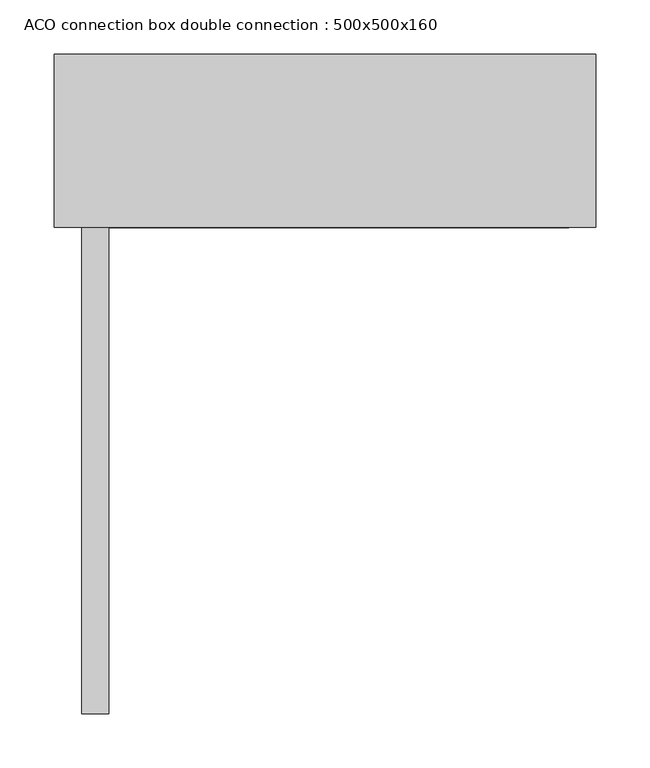
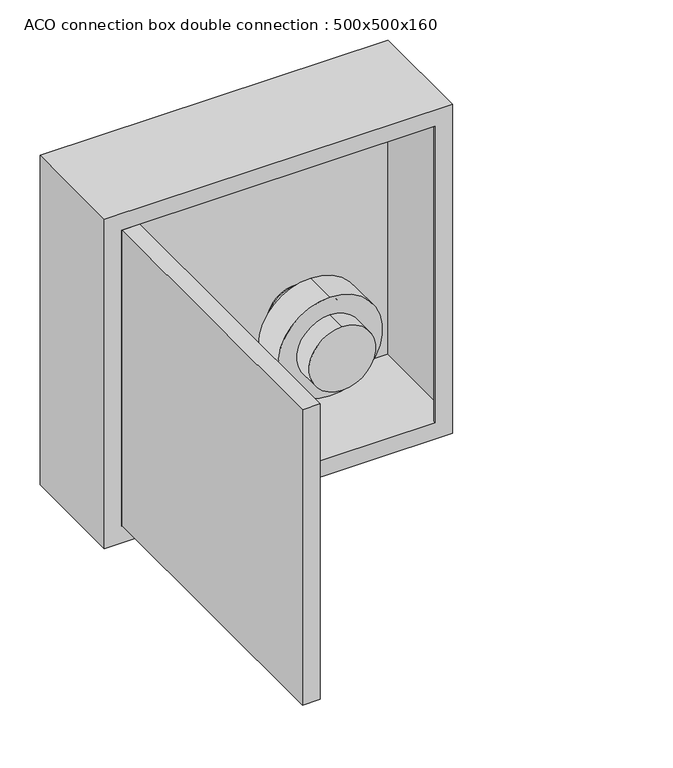
"""IFC4 building model written with IfcOpenShell, lengths in millimetres: furniture geometry, ACO connection box double connection : 500x500x160."""

from ifc_helpers import new_model, si_unit, point, frame, frame_2d, origin, place, context, project, spatial, polyline, circle_curve, trimmed, segment, composite_curve, outline, extrude, source, transform, mapped, element, save
from ifc_brep_helpers import plane_surface, cylinder_surface, revolved_surface, advanced_brep


def aco_connection_box_double_connection_500x500x160_cb3627f5(model_context):
    return source(origin(), model_context, "Body", "SolidModel", [
        extrude(outline(composite_curve([segment(trimmed(circle_curve(frame_2d((136.5, 115.0)), 25.0), [point((111.5, 115.0))], [point((161.5, 115.0))], False, "CARTESIAN"), True, "CONTINUOUS"), segment(trimmed(circle_curve(frame_2d((136.5, 115.0)), 25.0), [point((161.5, 115.0))], [point((111.5, 115.0))], False, "CARTESIAN"), True, "CONTINUOUS")], self_intersect=False)), frame((0.0, 148.0, 0.0), z_axis=(0.0, 1.0, 0.0), x_axis=(0.0, 0.0, 1.0)), (0.0, 0.0, 1.0), 12.0),
        advanced_brep(
        [(115.0, 148.0, 88.5), (115.0, 148.0, 184.5), (115.0, 40.0, 88.5), (115.0, 40.0, 184.5), (115.0, 118.0, 184.5), (115.0, 118.0, 88.5), (115.0, 70.0, 88.5), (115.0, 70.0, 184.5), (115.0, 118.0, 61.5), (115.0, 118.0, 211.5), (115.0, 70.0, 61.5), (115.0, 70.0, 211.5)],
        [
            (0, 1, circle_curve(frame((115.0, 148.0, 136.5), z_axis=(0.0, 1.0, 0.0), x_axis=(0.0, 0.0, 1.0)), 48.0)),
            (1, 0, circle_curve(frame((115.0, 148.0, 136.5), z_axis=(0.0, 1.0, 0.0), x_axis=(0.0, 0.0, 1.0)), 48.0)),
            (2, 3, circle_curve(frame((115.0, 40.0, 136.5), z_axis=(0.0, -1.0, 0.0), x_axis=(0.0, 0.0, 1.0)), 48.0)),
            (3, 2, circle_curve(frame((115.0, 40.0, 136.5), z_axis=(0.0, -1.0, 0.0), x_axis=(0.0, 0.0, 1.0)), 48.0)),
            (1, 4),
            (4, 5, circle_curve(frame((115.0, 118.0, 136.5), z_axis=(0.0, 1.0, 0.0), x_axis=(0.0, 0.0, 1.0)), 48.0)),
            (5, 0),
            (2, 6),
            (6, 7, circle_curve(frame((115.0, 70.0, 136.5), z_axis=(0.0, -1.0, 0.0), x_axis=(0.0, 0.0, 1.0)), 48.0)),
            (7, 3),
            (5, 4, circle_curve(frame((115.0, 118.0, 136.5), z_axis=(0.0, 1.0, 0.0), x_axis=(0.0, 0.0, 1.0)), 48.0)),
            (7, 6, circle_curve(frame((115.0, 70.0, 136.5), z_axis=(0.0, -1.0, 0.0), x_axis=(0.0, 0.0, 1.0)), 48.0)),
            (8, 9, circle_curve(frame((115.0, 118.0, 136.5), z_axis=(0.0, 1.0, 0.0), x_axis=(0.0, 0.0, 1.0)), 75.0)),
            (9, 8, circle_curve(frame((115.0, 118.0, 136.5), z_axis=(0.0, 1.0, 0.0), x_axis=(0.0, 0.0, 1.0)), 75.0)),
            (10, 11, circle_curve(frame((115.0, 70.0, 136.5), z_axis=(0.0, -1.0, 0.0), x_axis=(0.0, 0.0, 1.0)), 75.0)),
            (11, 10, circle_curve(frame((115.0, 70.0, 136.5), z_axis=(0.0, -1.0, 0.0), x_axis=(0.0, 0.0, 1.0)), 75.0)),
            (9, 11),
            (10, 8),
        ],
        [
            plane_surface(frame((115.0, 148.0, 184.5), z_axis=(0.0, 1.0, 0.0), x_axis=(1.0, 0.0, 0.0))),
            plane_surface(frame((115.0, 40.0, 184.5), z_axis=(0.0, -1.0, 0.0), x_axis=(-1.0, 0.0, 0.0))),
            cylinder_surface(frame((115.0, 148.0, 136.5), z_axis=(0.0, -1.0, 0.0), x_axis=(0.0, 0.0, 1.0)), 48.0),
            plane_surface(frame((115.0, 118.0, 211.5), z_axis=(0.0, 1.0, 0.0), x_axis=(1.0, 0.0, 0.0))),
            plane_surface(frame((115.0, 70.0, 211.5), z_axis=(0.0, -1.0, 0.0), x_axis=(-1.0, 0.0, 0.0))),
            cylinder_surface(frame((115.0, 118.0, 136.5), z_axis=(0.0, -1.0, 0.0), x_axis=(0.0, 0.0, 1.0)), 75.0),
        ],
        [
            (0, [[1, 2]]),
            (1, [[3, 4]]),
            (2, [[-2, 5, 6, 7]]),
            (2, [[-3, 8, 9, 10]]),
            (2, [[-1, -7, 11, -5]]),
            (2, [[-4, -10, 12, -8]]),
            (3, [[13, 14], [-6, -11]]),
            (4, [[15, 16], [-9, -12]]),
            (5, [[-14, 17, -15, 18]]),
            (5, [[-13, -18, -16, -17]]),
        ],
    ),
        extrude(outline(composite_curve([segment(trimmed(circle_curve(frame_2d((136.5, -115.0)), 25.0), [point((111.5, -115.0))], [point((161.5, -115.0))], False, "CARTESIAN"), True, "CONTINUOUS"), segment(trimmed(circle_curve(frame_2d((136.5, -115.0)), 25.0), [point((161.5, -115.0))], [point((111.5, -115.0))], False, "CARTESIAN"), True, "CONTINUOUS")], self_intersect=False)), frame((0.0, 148.0, 0.0), z_axis=(0.0, 1.0, 0.0), x_axis=(0.0, 0.0, 1.0)), (0.0, 0.0, 1.0), 12.0),
        advanced_brep(
        [(-115.0, 148.0, 88.5), (-115.0, 148.0, 184.5), (-115.0, 40.0, 88.5), (-115.0, 40.0, 184.5), (-115.0, 118.0, 184.5), (-115.0, 118.0, 88.5), (-115.0, 70.0, 88.5), (-115.0, 70.0, 184.5), (-115.0, 118.0, 61.5), (-115.0, 118.0, 211.5), (-115.0, 70.0, 61.5), (-115.0, 70.0, 211.5)],
        [
            (0, 1, circle_curve(frame((-115.0, 148.0, 136.5), z_axis=(0.0, 1.0, 0.0), x_axis=(0.0, 0.0, 1.0)), 48.0)),
            (1, 0, circle_curve(frame((-115.0, 148.0, 136.5), z_axis=(0.0, 1.0, 0.0), x_axis=(0.0, 0.0, 1.0)), 48.0)),
            (2, 3, circle_curve(frame((-115.0, 40.0, 136.5), z_axis=(0.0, -1.0, 0.0), x_axis=(0.0, 0.0, 1.0)), 48.0)),
            (3, 2, circle_curve(frame((-115.0, 40.0, 136.5), z_axis=(0.0, -1.0, 0.0), x_axis=(0.0, 0.0, 1.0)), 48.0)),
            (1, 4),
            (4, 5, circle_curve(frame((-115.0, 118.0, 136.5), z_axis=(0.0, 1.0, 0.0), x_axis=(0.0, 0.0, 1.0)), 48.0)),
            (5, 0),
            (2, 6),
            (6, 7, circle_curve(frame((-115.0, 70.0, 136.5), z_axis=(0.0, -1.0, 0.0), x_axis=(0.0, 0.0, 1.0)), 48.0)),
            (7, 3),
            (5, 4, circle_curve(frame((-115.0, 118.0, 136.5), z_axis=(0.0, 1.0, 0.0), x_axis=(0.0, 0.0, 1.0)), 48.0)),
            (7, 6, circle_curve(frame((-115.0, 70.0, 136.5), z_axis=(0.0, -1.0, 0.0), x_axis=(0.0, 0.0, 1.0)), 48.0)),
            (8, 9, circle_curve(frame((-115.0, 118.0, 136.5), z_axis=(0.0, 1.0, 0.0), x_axis=(0.0, 0.0, 1.0)), 75.0)),
            (9, 8, circle_curve(frame((-115.0, 118.0, 136.5), z_axis=(0.0, 1.0, 0.0), x_axis=(0.0, 0.0, 1.0)), 75.0)),
            (10, 11, circle_curve(frame((-115.0, 70.0, 136.5), z_axis=(0.0, -1.0, 0.0), x_axis=(0.0, 0.0, 1.0)), 75.0)),
            (11, 10, circle_curve(frame((-115.0, 70.0, 136.5), z_axis=(0.0, -1.0, 0.0), x_axis=(0.0, 0.0, 1.0)), 75.0)),
            (9, 11),
            (10, 8),
        ],
        [
            plane_surface(frame((-115.0, 148.0, 184.5), z_axis=(0.0, 1.0, 0.0), x_axis=(1.0, 0.0, 0.0))),
            plane_surface(frame((-115.0, 40.0, 184.5), z_axis=(0.0, -1.0, 0.0), x_axis=(-1.0, 0.0, 0.0))),
            cylinder_surface(frame((-115.0, 148.0, 136.5), z_axis=(0.0, -1.0, 0.0), x_axis=(0.0, 0.0, 1.0)), 48.0),
            plane_surface(frame((-115.0, 118.0, 211.5), z_axis=(0.0, 1.0, 0.0), x_axis=(1.0, 0.0, 0.0))),
            plane_surface(frame((-115.0, 70.0, 211.5), z_axis=(0.0, -1.0, 0.0), x_axis=(-1.0, 0.0, 0.0))),
            cylinder_surface(frame((-115.0, 118.0, 136.5), z_axis=(0.0, -1.0, 0.0), x_axis=(0.0, 0.0, 1.0)), 75.0),
        ],
        [
            (0, [[1, 2]]),
            (1, [[3, 4]]),
            (2, [[-2, 5, 6, 7]]),
            (2, [[-3, 8, 9, 10]]),
            (2, [[-1, -7, 11, -5]]),
            (2, [[-4, -10, 12, -8]]),
            (3, [[13, 14], [-6, -11]]),
            (4, [[15, 16], [-9, -12]]),
            (5, [[-14, 17, -15, 18]]),
            (5, [[-13, -18, -16, -17]]),
        ],
    ),
        extrude(outline(polyline([(-224.5, -449.0), (-224.5, 0.0), (-199.5, 0.0), (-199.5, -449.0), (-224.5, -449.0)])), frame((0.0, 0.0, 25.5), z_axis=(0.0, 0.0, 1.0), x_axis=(1.0, 0.0, 0.0)), (0.0, 0.0, 1.0), 449.0),
        advanced_brep(
        [(250.0, 160.0, 500.0), (-250.0, 160.0, 500.0), (-250.0, 0.0, 500.0), (250.0, 0.0, 500.0), (250.0, 160.0, 0.0), (250.0, 0.0, 0.0), (-250.0, 0.0, 0.0), (-250.0, 160.0, 0.0), (-155.0, 160.0, 136.5), (-75.0, 160.0, 136.5), (75.0, 160.0, 136.5), (155.0, 160.0, 136.5), (-225.0, 0.0, 475.0), (225.0, 0.0, 475.0), (225.0, 0.0, 25.0), (-225.0, 0.0, 25.0), (248.0, 158.0, 475.0), (248.0, 2.0, 475.0), (225.0, 2.0, 475.0), (-225.0, 2.0, 475.0), (-248.0, 2.0, 475.0), (-248.0, 158.0, 475.0), (248.0, 158.0, 25.0), (-248.0, 158.0, 25.0), (-248.0, 2.0, 25.0), (-225.0, 2.0, 25.0), (225.0, 2.0, 25.0), (248.0, 2.0, 25.0), (-75.0, 158.0, 136.5), (-155.0, 158.0, 136.5), (155.0, 158.0, 136.5), (75.0, 158.0, 136.5)],
        [
            (0, 1),
            (1, 2),
            (2, 3),
            (3, 0),
            (4, 5),
            (5, 6),
            (6, 7),
            (7, 4),
            (0, 4),
            (7, 1),
            (8, 9, circle_curve(frame((-115.0, 160.0, 136.5), z_axis=(0.0, -1.0, 0.0), x_axis=(1.0, 0.0, 0.0)), 40.0)),
            (9, 8, circle_curve(frame((-115.0, 160.0, 136.5), z_axis=(0.0, -1.0, 0.0), x_axis=(1.0, 0.0, 0.0)), 40.0)),
            (10, 11, circle_curve(frame((115.0, 160.0, 136.5), z_axis=(0.0, -1.0, 0.0), x_axis=(1.0, 0.0, 0.0)), 40.0)),
            (11, 10, circle_curve(frame((115.0, 160.0, 136.5), z_axis=(0.0, -1.0, 0.0), x_axis=(1.0, 0.0, 0.0)), 40.0)),
            (6, 2),
            (5, 3),
            (12, 13),
            (13, 14),
            (14, 15),
            (15, 12),
            (16, 17),
            (17, 18),
            (18, 13),
            (12, 19),
            (19, 20),
            (20, 21),
            (21, 16),
            (22, 23),
            (23, 24),
            (24, 25),
            (25, 15),
            (14, 26),
            (26, 27),
            (27, 22),
            (21, 23),
            (22, 16),
            (28, 29, circle_curve(frame((-115.0, 158.0, 136.5), z_axis=(0.0, 1.0, 0.0), x_axis=(1.0, 0.0, 0.0)), 40.0)),
            (29, 28, circle_curve(frame((-115.0, 158.0, 136.5), z_axis=(0.0, 1.0, 0.0), x_axis=(1.0, 0.0, 0.0)), 40.0)),
            (30, 31, circle_curve(frame((115.0, 158.0, 136.5), z_axis=(0.0, 1.0, 0.0), x_axis=(1.0, 0.0, 0.0)), 40.0)),
            (31, 30, circle_curve(frame((115.0, 158.0, 136.5), z_axis=(0.0, 1.0, 0.0), x_axis=(1.0, 0.0, 0.0)), 40.0)),
            (27, 17),
            (20, 24),
            (19, 25),
            (18, 26),
            (28, 9),
            (8, 29),
            (30, 11),
            (10, 31),
        ],
        [
            plane_surface(frame((-250.0, 160.0, 500.0), z_axis=(0.0, 0.0, 1.0), x_axis=(-1.0, 0.0, 0.0))),
            plane_surface(frame((-250.0, 160.0, 0.0), z_axis=(0.0, 0.0, -1.0), x_axis=(1.0, 0.0, 0.0))),
            plane_surface(frame((250.0, 160.0, 500.0), z_axis=(0.0, 1.0, 0.0), x_axis=(0.0, 0.0, -1.0))),
            plane_surface(frame((-250.0, 160.0, 500.0), z_axis=(-1.0, 0.0, 0.0), x_axis=(0.0, 0.0, -1.0))),
            plane_surface(frame((-250.0, 0.0, 500.0), z_axis=(0.0, -1.0, 0.0), x_axis=(0.0, 0.0, -1.0))),
            plane_surface(frame((250.0, 0.0, 500.0), z_axis=(1.0, 0.0, 0.0), x_axis=(0.0, 0.0, -1.0))),
            plane_surface(frame((-248.0, 158.0, 475.0), z_axis=(0.0, 0.0, -1.0), x_axis=(-1.0, 0.0, 0.0))),
            plane_surface(frame((-248.0, 158.0, 25.0), z_axis=(0.0, 0.0, 1.0), x_axis=(1.0, 0.0, 0.0))),
            plane_surface(frame((248.0, 158.0, 475.0), z_axis=(0.0, -1.0, 0.0), x_axis=(0.0, 0.0, -1.0))),
            plane_surface(frame((248.0, 2.0, 475.0), z_axis=(-1.0, 0.0, 0.0), x_axis=(0.0, 0.0, -1.0))),
            plane_surface(frame((-248.0, 158.0, 475.0), z_axis=(1.0, 0.0, 0.0), x_axis=(0.0, 0.0, -1.0))),
            plane_surface(frame((-248.0, 2.0, 475.0), z_axis=(0.0, 1.0, 0.0), x_axis=(0.0, 0.0, -1.0))),
            plane_surface(frame((-225.0, 2.0, 475.0), z_axis=(1.0, 0.0, 0.0), x_axis=(0.0, 0.0, -1.0))),
            plane_surface(frame((225.0, 0.0, 475.0), z_axis=(-1.0, 0.0, 0.0), x_axis=(0.0, 0.0, -1.0))),
            plane_surface(frame((225.0, 2.0, 475.0), z_axis=(0.0, 1.0, 0.0), x_axis=(0.0, 0.0, -1.0))),
            revolved_surface(polyline([(-75.0, 158.0, 136.5), (-75.0, 160.0, 136.5)]), (-115.0, 160.0, 136.5), (0.0, -1.0, 0.0)),
            revolved_surface(polyline([(155.0, 158.0, 136.5), (155.0, 160.0, 136.5)]), (115.0, 160.0, 136.5), (0.0, -1.0, 0.0)),
        ],
        [
            (0, [[1, 2, 3, 4]]),
            (1, [[5, 6, 7, 8]]),
            (2, [[-1, 9, -8, 10], [11, 12], [13, 14]]),
            (3, [[-2, -10, -7, 15]]),
            (4, [[-3, -15, -6, 16], [17, 18, 19, 20]]),
            (5, [[-4, -16, -5, -9]]),
            (6, [[21, 22, 23, -17, 24, 25, 26, 27]]),
            (7, [[28, 29, 30, 31, -19, 32, 33, 34]]),
            (8, [[-27, 35, -28, 36], [37, 38], [39, 40]]),
            (9, [[-21, -36, -34, 41]]),
            (10, [[-26, 42, -29, -35]]),
            (11, [[-25, 43, -30, -42]]),
            (12, [[-24, -20, -31, -43]]),
            (13, [[-23, 44, -32, -18]]),
            (14, [[-22, -41, -33, -44]]),
            (15, [[45, -11, 46, -37]]),
            (15, [[-45, -38, -46, -12]]),
            (16, [[47, -13, 48, -39]]),
            (16, [[-47, -40, -48, -14]]),
        ],
    ),
    ])


if __name__ == "__main__":
    model = new_model("IFC4")
    model_context = context("Model", 3, world=origin())
    ifc_project = project(units=[si_unit("LENGTHUNIT", "METRE", prefix="MILLI")], contexts=[model_context])
    site = spatial("IfcSite", under=ifc_project)
    building = spatial("IfcBuilding", under=site)
    placement = place(None, origin())
    aco_connection_box_double_connection_500x500x160_shape = aco_connection_box_double_connection_500x500x160_cb3627f5(model_context)
    element("IfcFurniture", 1, ObjectType="ACO connection box double connection : 500x500x160", at=placement, inside=building, context=model_context, shape_type="MappedRepresentation", body=[
        mapped(aco_connection_box_double_connection_500x500x160_shape, transform((0.0, 0.0, 0.0), x_axis=(1.0, 0.0, 0.0), y_axis=(0.0, 1.0, 0.0), z_axis=(0.0, 0.0, 1.0))),
    ])
    save(model, "model.ifc")
